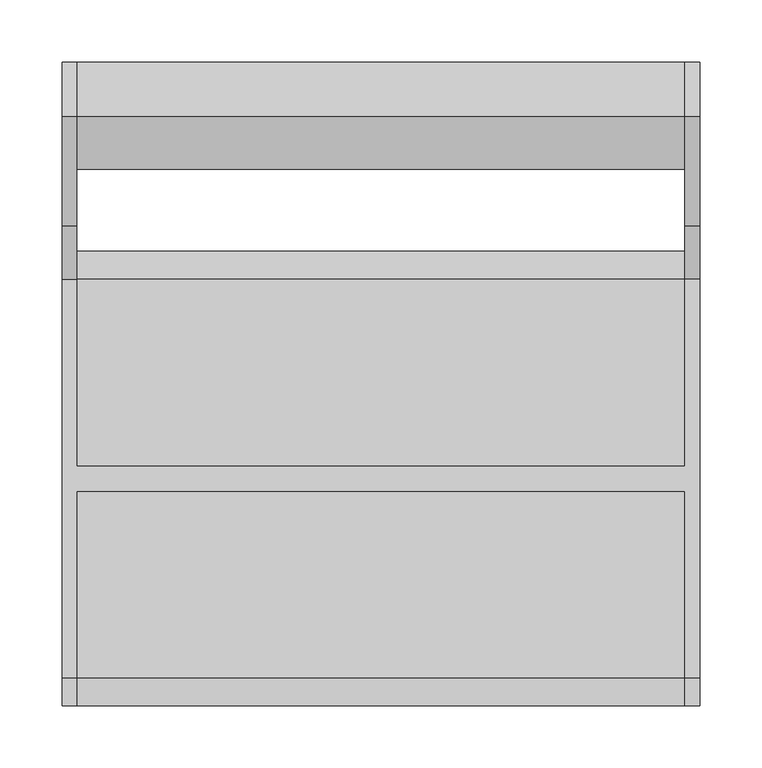
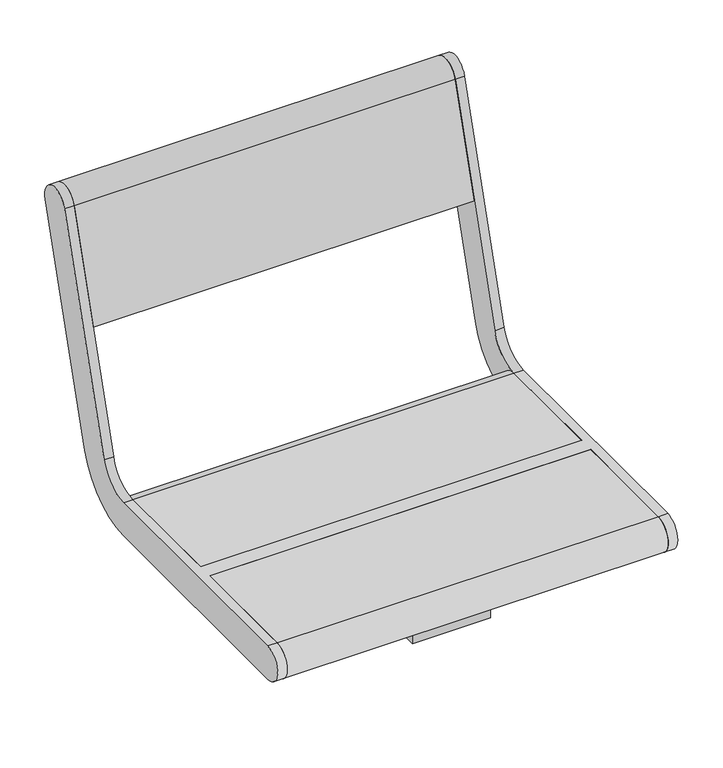
"""IFC4 building model written with IfcOpenShell, lengths in millimetres: furniture geometry."""

from ifc_helpers import new_model, si_unit, point, frame, frame_2d, origin, place, context, project, spatial, polyline, circle_curve, trimmed, segment, composite_curve, outline, extrude, source, transform, mapped, element, save
from ifc_brep_helpers import plane_surface, cylinder_surface, revolved_surface, advanced_brep


def furniture_aeec63e3(model_context):
    return source(origin(), model_context, "Body", "SolidModel", [
        advanced_brep(
        [(-245.0, 291.0375971, 769.6910048), (-245.0, 203.033714, 481.8432733), (-245.0, 160.0, 450.0), (-245.0, 9.5, 450.0), (-245.0, 9.5, 405.0), (-245.0, 160.0, 405.0), (-245.0, 246.067428, 468.6865466), (-245.0, 334.0713112, 756.5342781), (-245.0, -161.0, 450.0), (-245.0, -161.0, 405.0), (-245.0, -10.5, 405.0), (-245.0, -10.5, 450.0), (-257.0, 291.0375971, 769.6910048), (-257.0, 334.0713112, 756.5342781), (-257.0, 246.067428, 468.6865466), (-257.0, 160.0, 405.0), (-257.0, -161.0, 405.0), (-257.0, -161.0, 450.0), (-257.0, 160.0, 450.0), (-257.0, 203.033714, 481.8432733), (245.0, -10.5, 450.0), (245.0, -161.0, 450.0), (257.0, -161.0, 450.0), (257.0, 160.0, 450.0), (245.0, 160.0, 450.0), (245.0, 9.5, 450.0), (245.0, 9.5, 405.0), (245.0, 160.0, 405.0), (257.0, 160.0, 405.0), (257.0, -161.0, 405.0), (245.0, -161.0, 405.0), (245.0, -10.5, 405.0), (257.0, 291.0375971, 769.6910048), (257.0, 203.033714, 481.8432733), (257.0, 246.067428, 468.6865466), (257.0, 334.0713112, 756.5342781), (245.0, 291.0375971, 769.6910048), (245.0, 334.0713112, 756.5342781), (245.0, 246.067428, 468.6865466), (245.0, 203.033714, 481.8432733)],
        [
            (0, 1),
            (1, 2, circle_curve(frame((-245.0, 160.0, 495.0), z_axis=(-1.0, 0.0, 0.0), x_axis=(0.0, -1.0, 0.0)), 45.0)),
            (2, 3),
            (3, 4),
            (4, 5),
            (5, 6, circle_curve(frame((-245.0, 160.0, 495.0), z_axis=(1.0, 0.0, 0.0), x_axis=(0.0, -1.0, 0.0)), 90.0)),
            (6, 7),
            (7, 0, circle_curve(frame((-245.0, 312.5544541, 763.1126415), z_axis=(1.0, 0.0, 0.0), x_axis=(0.0, -1.0, 0.0)), 22.5)),
            (8, 9, circle_curve(frame((-245.0, -161.0, 427.5), z_axis=(1.0, 0.0, 0.0), x_axis=(0.0, -1.0, 0.0)), 22.5)),
            (9, 10),
            (10, 11),
            (11, 8),
            (12, 13, circle_curve(frame((-257.0, 312.5544541, 763.1126415), z_axis=(-1.0, 0.0, 0.0), x_axis=(0.0, -1.0, 0.0)), 22.5)),
            (13, 14),
            (14, 15, circle_curve(frame((-257.0, 160.0, 495.0), z_axis=(-1.0, 0.0, 0.0), x_axis=(0.0, -1.0, 0.0)), 90.0)),
            (15, 16),
            (16, 17, circle_curve(frame((-257.0, -161.0, 427.5), z_axis=(-1.0, 0.0, 0.0), x_axis=(0.0, -1.0, 0.0)), 22.5)),
            (17, 18),
            (18, 19, circle_curve(frame((-257.0, 160.0, 495.0), z_axis=(1.0, 0.0, 0.0), x_axis=(0.0, -1.0, 0.0)), 45.0)),
            (19, 12),
            (0, 12),
            (19, 1),
            (18, 2),
            (17, 8),
            (11, 20),
            (20, 21),
            (21, 22),
            (22, 23),
            (23, 24),
            (24, 25),
            (25, 3),
            (15, 5),
            (4, 26),
            (26, 27),
            (27, 28),
            (28, 29),
            (29, 30),
            (30, 31),
            (31, 10),
            (9, 16),
            (14, 6),
            (13, 7),
            (31, 20),
            (25, 26),
            (32, 33),
            (33, 23, circle_curve(frame((257.0, 160.0, 495.0), z_axis=(-1.0, 0.0, 0.0), x_axis=(0.0, -1.0, 0.0)), 45.0)),
            (22, 29, circle_curve(frame((257.0, -161.0, 427.5), z_axis=(1.0, 0.0, 0.0), x_axis=(0.0, -1.0, 0.0)), 22.5)),
            (28, 34, circle_curve(frame((257.0, 160.0, 495.0), z_axis=(1.0, 0.0, 0.0), x_axis=(0.0, -1.0, 0.0)), 90.0)),
            (34, 35),
            (35, 32, circle_curve(frame((257.0, 312.5544541, 763.1126415), z_axis=(1.0, 0.0, 0.0), x_axis=(0.0, -1.0, 0.0)), 22.5)),
            (36, 37, circle_curve(frame((245.0, 312.5544541, 763.1126415), z_axis=(-1.0, 0.0, 0.0), x_axis=(0.0, -1.0, 0.0)), 22.5)),
            (37, 38),
            (38, 27, circle_curve(frame((245.0, 160.0, 495.0), z_axis=(-1.0, 0.0, 0.0), x_axis=(0.0, -1.0, 0.0)), 90.0)),
            (24, 39, circle_curve(frame((245.0, 160.0, 495.0), z_axis=(1.0, 0.0, 0.0), x_axis=(0.0, -1.0, 0.0)), 45.0)),
            (39, 36),
            (30, 21, circle_curve(frame((245.0, -161.0, 427.5), z_axis=(-1.0, 0.0, 0.0), x_axis=(0.0, -1.0, 0.0)), 22.5)),
            (32, 36),
            (39, 33),
            (38, 34),
            (37, 35),
        ],
        [
            plane_surface(frame((-245.0, 203.033714, 481.8432733), z_axis=(1.0000000000000002, 0.0, 0.0), x_axis=(0.0, -0.29237170472273394, -0.9563047559630364))),
            plane_surface(frame((-257.0, 203.033714, 481.8432733), z_axis=(-1.0000000000000002, 0.0, 0.0), x_axis=(0.0, 0.29237170472273394, 0.9563047559630364))),
            plane_surface(frame((-245.0, 291.0375971, 769.6910048), z_axis=(0.0, -0.9563047559630364, 0.29237170472273394), x_axis=(-1.0, 0.0, 0.0))),
            revolved_surface(polyline([(-257.0, 115.0, 495.0), (-245.0, 115.0, 495.0)]), (-257.0, 160.0, 495.0), (-1.0, 0.0, 0.0)),
            plane_surface(frame((-245.0, 160.0, 450.0), z_axis=(0.0, 0.0, 1.0), x_axis=(-1.0, 0.0, 0.0))),
            plane_surface(frame((-245.0, -161.0, 405.0), z_axis=(0.0, 0.0, -1.0), x_axis=(-1.0, 0.0, 0.0))),
            cylinder_surface(frame((-257.0, 160.0, 495.0), z_axis=(1.0, 0.0, 0.0), x_axis=(0.0, -1.0, 0.0)), 90.0),
            plane_surface(frame((-245.0, 246.067428, 468.6865466), z_axis=(0.0, 0.9563047559630364, -0.29237170472273366), x_axis=(-1.0, 0.0, 0.0))),
            cylinder_surface(frame((-257.0, 312.5544541, 763.1126415), z_axis=(1.0, 0.0, 0.0), x_axis=(0.0, -1.0, 0.0)), 22.5),
            cylinder_surface(frame((-257.0, -161.0, 427.5), z_axis=(1.0, 0.0, 0.0), x_axis=(0.0, -1.0, 0.0)), 22.5),
            plane_surface(frame((245.0, -10.5, 450.0), z_axis=(0.0, -1.0, 0.0), x_axis=(-1.0, 0.0, 0.0))),
            plane_surface(frame((245.0, 9.5, 405.0), z_axis=(0.0, 1.0, 0.0), x_axis=(-1.0, 0.0, 0.0))),
            plane_surface(frame((257.0, 203.033714, 481.8432733), z_axis=(1.0000000000000002, 0.0, 0.0), x_axis=(0.0, -0.29237170472273394, -0.9563047559630364))),
            plane_surface(frame((245.0, 203.033714, 481.8432733), z_axis=(-1.0000000000000002, 0.0, 0.0), x_axis=(0.0, 0.29237170472273394, 0.9563047559630364))),
            plane_surface(frame((257.0, 291.0375971, 769.6910048), z_axis=(0.0, -0.9563047559630364, 0.29237170472273394), x_axis=(-1.0, 0.0, 0.0))),
            revolved_surface(polyline([(245.0, 115.0, 495.0), (257.0, 115.0, 495.0)]), (245.0, 160.0, 495.0), (-1.0, 0.0, 0.0)),
            cylinder_surface(frame((245.0, 160.0, 495.0), z_axis=(1.0, 0.0, 0.0), x_axis=(0.0, -1.0, 0.0)), 90.0),
            plane_surface(frame((257.0, 246.067428, 468.6865466), z_axis=(0.0, 0.9563047559630364, -0.29237170472273366), x_axis=(-1.0, 0.0, 0.0))),
            cylinder_surface(frame((245.0, 312.5544541, 763.1126415), z_axis=(1.0, 0.0, 0.0), x_axis=(0.0, -1.0, 0.0)), 22.5),
            cylinder_surface(frame((245.0, -161.0, 427.5), z_axis=(1.0, 0.0, 0.0), x_axis=(0.0, -1.0, 0.0)), 22.5),
        ],
        [
            (0, [[1, 2, 3, 4, 5, 6, 7, 8]]),
            (0, [[9, 10, 11, 12]]),
            (1, [[13, 14, 15, 16, 17, 18, 19, 20]]),
            (2, [[-1, 21, -20, 22]]),
            (3, [[-2, -22, -19, 23]]),
            (4, [[-18, 24, -12, 25, 26, 27, 28, 29, 30, 31, -3, -23]]),
            (5, [[-16, 32, -5, 33, 34, 35, 36, 37, 38, 39, -10, 40]]),
            (6, [[-6, -32, -15, 41]]),
            (7, [[-7, -41, -14, 42]]),
            (8, [[-8, -42, -13, -21]]),
            (9, [[-9, -24, -17, -40]]),
            (10, [[-25, -11, -39, 43]]),
            (11, [[-31, 44, -33, -4]]),
            (12, [[45, 46, -28, 47, -36, 48, 49, 50]]),
            (13, [[51, 52, 53, -34, -44, -30, 54, 55]]),
            (13, [[56, -26, -43, -38]]),
            (14, [[-45, 57, -55, 58]]),
            (15, [[-46, -58, -54, -29]]),
            (16, [[-48, -35, -53, 59]]),
            (17, [[-49, -59, -52, 60]]),
            (18, [[-50, -60, -51, -57]]),
            (19, [[-47, -27, -56, -37]]),
        ],
    ),
        extrude(outline(composite_curve([segment(trimmed(circle_curve(frame_2d((312.5544541, 763.1126415)), 22.5), [point((291.0375971, 769.6910048))], [point((334.0713112, 756.5342781))], False, "CARTESIAN"), True, "CONTINUOUS"), segment(polyline([(334.0713112, 756.5342781), (291.5312281, 617.3919361), (248.4975141, 630.5486628), (291.0375971, 769.6910048)]), True, "CONTINUOUS")], self_intersect=False)), frame((-245.0, 0.0, 0.0), z_axis=(1.0, 0.0, 0.0), x_axis=(0.0, 1.0, 0.0)), (0.0, 0.0, 1.0), 490.0),
        extrude(outline(composite_curve([segment(polyline([(9.5, 405.0), (9.5, 450.0), (160.0, 450.0)]), True, "CONTINUOUS"), segment(trimmed(circle_curve(frame_2d((160.0, 427.5)), 22.5), [point((160.0, 450.0))], [point((160.0, 405.0))], False, "CARTESIAN"), True, "CONTINUOUS"), segment(polyline([(160.0, 405.0), (9.5, 405.0)]), True, "CONTINUOUS")], self_intersect=False)), frame((-245.0, 0.0, 0.0), z_axis=(1.0, 0.0, 0.0), x_axis=(0.0, 1.0, 0.0)), (0.0, 0.0, 1.0), 490.0),
        extrude(outline(composite_curve([segment(polyline([(-10.5, 405.0), (-161.0, 405.0)]), True, "CONTINUOUS"), segment(trimmed(circle_curve(frame_2d((-161.0, 427.5)), 22.5), [point((-161.0, 405.0))], [point((-161.0, 450.0))], False, "CARTESIAN"), True, "CONTINUOUS"), segment(polyline([(-161.0, 450.0), (-10.5, 450.0), (-10.5, 405.0)]), True, "CONTINUOUS")], self_intersect=False)), frame((-245.0, 0.0, 0.0), z_axis=(1.0, 0.0, 0.0), x_axis=(0.0, 1.0, 0.0)), (0.0, 0.0, 1.0), 490.0),
        extrude(outline(polyline([(125.0, 359.0), (-125.0, 359.0), (-125.0, 405.0), (125.0, 405.0), (125.0, 359.0)]), holes=[polyline([(-117.202041, 397.0), (-117.202041, 367.0), (117.202041, 367.0), (117.202041, 397.0), (-117.202041, 397.0)])]), frame((-50.0, 0.0, 0.0), z_axis=(1.0, 0.0, 0.0), x_axis=(0.0, 1.0, 0.0)), (0.0, 0.0, 1.0), 100.0),
    ])


if __name__ == "__main__":
    model = new_model("IFC4")
    model_context = context("Model", 3, world=origin())
    ifc_project = project(units=[si_unit("LENGTHUNIT", "METRE", prefix="MILLI")], contexts=[model_context])
    site = spatial("IfcSite", under=ifc_project)
    building = spatial("IfcBuilding", under=site)
    placement = place(None, origin())
    furniture_shape = furniture_aeec63e3(model_context)
    element("IfcFurniture", 1, at=placement, inside=building, context=model_context, shape_type="MappedRepresentation", body=[
        mapped(furniture_shape, transform((0.0, 0.0, 0.0), x_axis=(1.0, 0.0, 0.0), y_axis=(0.0, 1.0, 0.0), z_axis=(0.0, 0.0, 1.0))),
    ])
    save(model, "model.ifc")
